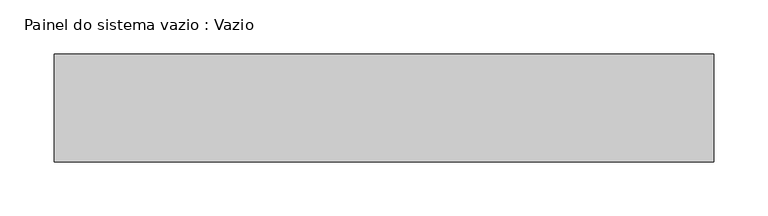
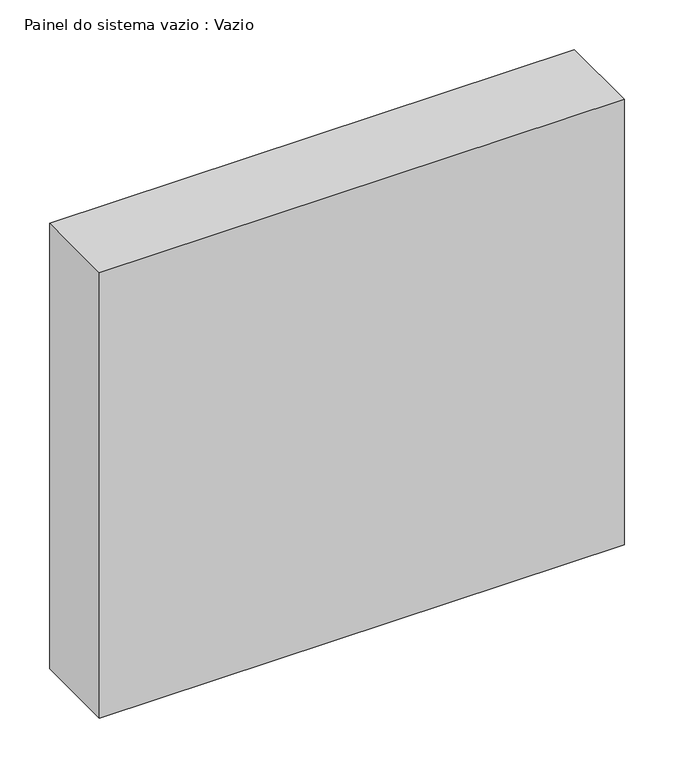
"""IFC4 building model written with IfcOpenShell, lengths in millimetres: plate geometry, Painel do sistema vazio : Vazio."""

from ifc_helpers import new_model, si_unit, origin, origin_with_axes, place, context, project, spatial, polyline, outline, extrude, source, transform, mapped, element, save


def painel_do_sistema_vazio_vazio_16584307(model_context):
    return source(origin(), model_context, "Body", "SweptSolid", [
        extrude(outline(polyline([(305.0, -50.0), (-305.0, -50.0), (-305.0, 50.0), (305.0, 50.0), (305.0, -50.0)])), origin_with_axes(), (0.0, 0.0, 1.0), 547.5),
    ])


if __name__ == "__main__":
    model = new_model("IFC4")
    model_context = context("Model", 3, world=origin())
    ifc_project = project(units=[si_unit("LENGTHUNIT", "METRE", prefix="MILLI")], contexts=[model_context])
    site = spatial("IfcSite", under=ifc_project)
    building = spatial("IfcBuilding", under=site)
    placement = place(None, origin())
    painel_do_sistema_vazio_vazio_shape = painel_do_sistema_vazio_vazio_16584307(model_context)
    element("IfcPlate", 1, ObjectType="Painel do sistema vazio : Vazio", at=placement, inside=building, context=model_context, shape_type="MappedRepresentation", body=[
        mapped(painel_do_sistema_vazio_vazio_shape, transform((0.0, 0.0, 0.0), x_axis=(1.0, 0.0, 0.0), y_axis=(0.0, 1.0, 0.0), z_axis=(0.0, 0.0, 1.0))),
    ])
    save(model, "model.ifc")
